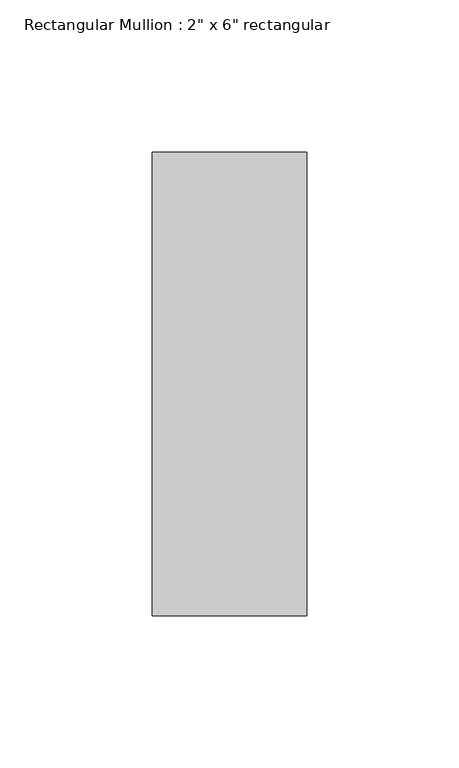
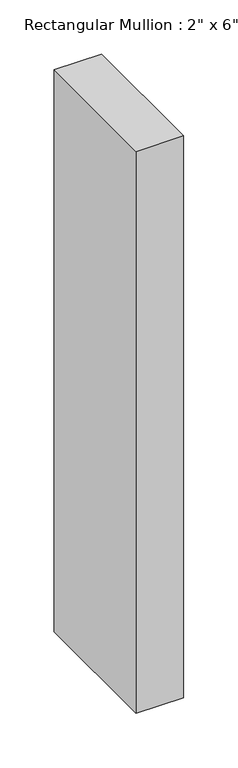
"""IFC4 building model written with IfcOpenShell, lengths in millimetres: member geometry."""

from ifc_helpers import new_model, si_unit, frame, origin, place, context, project, spatial, polyline, outline, extrude, source, transform, mapped, element, save


def member_9d2ffa3d(model_context):
    return source(origin(), model_context, "Body", "SweptSolid", [
        extrude(outline(polyline([(25.4, 76.2), (25.4, -76.2), (-25.4, -76.2), (-25.4, 76.2), (25.4, 76.2)])), frame((0.0, 0.0, -635.0), z_axis=(0.0, 0.0, 1.0), x_axis=(1.0, 0.0, 0.0)), (0.0, 0.0, 1.0), 635.0),
    ])


if __name__ == "__main__":
    model = new_model("IFC4")
    model_context = context("Model", 3, world=origin())
    ifc_project = project(units=[si_unit("LENGTHUNIT", "METRE", prefix="MILLI")], contexts=[model_context])
    site = spatial("IfcSite", under=ifc_project)
    building = spatial("IfcBuilding", under=site)
    placement = place(None, origin())
    member_shape = member_9d2ffa3d(model_context)
    element("IfcMember", 1, ObjectType="Rectangular Mullion : 2\" x 6\" rectangular", at=placement, inside=building, context=model_context, shape_type="MappedRepresentation", body=[
        mapped(member_shape, transform((0.0, 0.0, 0.0), x_axis=(1.0, 0.0, 0.0), y_axis=(0.0, 1.0, 0.0), z_axis=(0.0, 0.0, 1.0))),
    ])
    save(model, "model.ifc")
